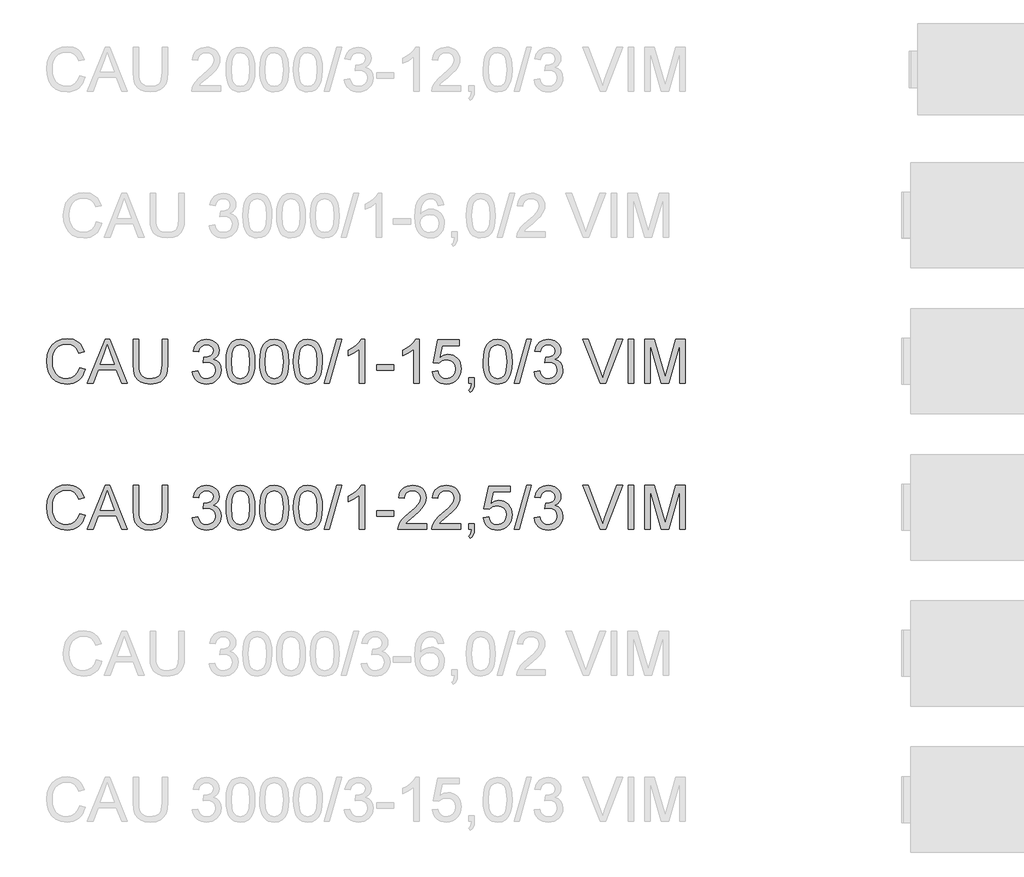
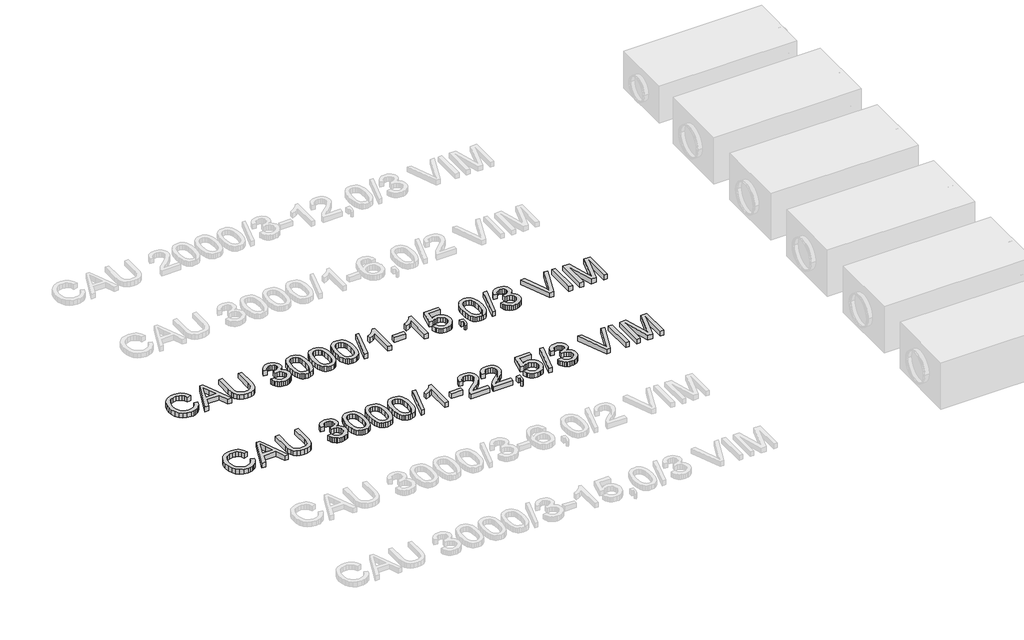
# One storey, part 56 of 74: 2 proxies.
"""IFC4 building model written with IfcOpenShell, lengths in millimetres."""

from ifc_helpers import new_model, si_unit, origin, origin_with_axes, place, context, project, spatial, polyline, outline, extrude, element, save

model = new_model("IFC4")

# Units and contexts
model_context = context("Model", 3, world=origin())
ifc_project = project(units=[si_unit("LENGTHUNIT", "METRE", prefix="MILLI")], contexts=[model_context])

# Site, building, storey
site = spatial("IfcSite", under=ifc_project)
building = spatial("IfcBuilding", under=site)
storey = spatial("IfcBuildingStorey", under=building, Elevation=0.0)

# Proxies
placement = place(None, origin())
element("IfcBuildingElementProxy", 1, Name="Generic Models", at=placement, inside=storey, context=model_context, shape_type="SweptSolid", body=[
    extrude(outline(polyline([(34539.6928381, -12799.1632103), (34577.3639544, -12808.875295), (34569.9097455, -12832.3024803), (34559.9815302, -12852.7728141), (34547.5793084, -12870.2862963), (34532.7030802, -12884.842927), (34515.688538, -12896.2863563), (34496.8713739, -12904.4602344), (34476.2515881, -12909.3645613), (34453.8291805, -12910.9993369), (34410.1339965, -12906.051324), (34375.4335273, -12891.2072855), (34348.835659, -12866.9822562), (34329.4482779, -12833.8912707), (34317.6116747, -12794.9877497), (34313.6661403, -12753.3251137), (34318.1267095, -12709.3816094), (34331.5084171, -12671.4345816), (34353.1122872, -12640.6888439), (34382.2393442, -12618.3492097), (34416.7834636, -12604.7467729), (34454.6385209, -12600.2126274), (34495.9424719, -12606.0803452), (34513.9112081, -12613.4149925), (34530.0911181, -12623.6834986), (34544.2154874, -12636.6145508), (34556.0176017, -12651.9368359), (34572.6550649, -12689.755105), (34534.9839486, -12698.7314257), (34521.9241378, -12671.2598377), (34504.081861, -12652.4150825), (34481.2363891, -12641.5165784), (34453.1669929, -12637.8837437), (34420.8117714, -12641.9120515), (34394.2322973, -12653.996975), (34374.0631669, -12672.8693214), (34360.9389767, -12697.2598977), (34353.7376866, -12724.8326532), (34351.3372566, -12753.2515373), (34354.179145, -12788.0531741), (34362.7048103, -12818.1459213), (34377.2361491, -12842.3801477), (34398.0950582, -12859.6062222), (34423.1018368, -12869.897721), (34450.0767841, -12873.3282206), (34481.5214977, -12868.6561192), (34507.7238928, -12854.6398152), (34527.5067471, -12831.4264613), (34539.6928381, -12799.1632103)])), origin_with_axes(), (0.0, 0.0, 1.0), 50.0),
    extrude(outline(polyline([(34594.065797, -12906.2904473), (34714.3632095, -12604.9215169), (34746.4425194, -12604.9215169), (34866.7399319, -12906.2904473), (34826.9351, -12906.2904473), (34792.4277688, -12812.1126566), (34668.3043837, -12812.1126566), (34633.8706289, -12906.2904473), (34594.065797, -12906.2904473)]), holes=[polyline([(34682.1367467, -12774.4415403), (34778.6689822, -12774.4415403), (34751.519291, -12700.3501064), (34730.4028644, -12642.5926332), (34711.6408827, -12693.8753833), (34682.1367467, -12774.4415403)])]), origin_with_axes(), (0.0, 0.0, 1.0), 50.0),
    extrude(outline(polyline([(35104.7595827, -12604.9215169), (35142.430699, -12604.9215169), (35142.430699, -12778.7825478), (35139.8739192, -12819.4978876), (35132.2035796, -12850.8506307), (35117.8745759, -12875.0388719), (35095.3418037, -12894.2607061), (35064.5500807, -12906.8146792), (35025.4442246, -12910.9993369), (34987.1936941, -12907.3573051), (34956.6135033, -12896.4312099), (34933.694455, -12878.5981302), (34918.4273522, -12854.235145), (34909.8465046, -12821.5580268), (34906.9862221, -12778.7825478), (34906.9862221, -12604.9215169), (34944.6573384, -12604.9215169), (34944.6573384, -12777.4581726), (34946.5151425, -12811.3125132), (34952.0885547, -12834.8845521), (34962.1869155, -12851.2093156), (34977.6195652, -12863.3218303), (34997.7427103, -12870.826623), (35021.9125574, -12873.3282206), (35060.2274672, -12868.3802077), (35074.5702665, -12862.1951917), (35085.7032954, -12853.5361692), (35094.0404211, -12841.3592752), (35099.9955109, -12824.6206444), (35104.7595827, -12777.4581726), (35104.7595827, -12604.9215169)])), origin_with_axes(), (0.0, 0.0, 1.0), 50.0),
    extrude(outline(polyline([(35311.9507224, -12826.2393252), (35349.6218387, -12821.5304357), (35358.0555335, -12845.203642), (35370.4071715, -12861.1881147), (35387.283758, -12870.2931941), (35409.2922983, -12873.3282206), (35435.1176144, -12869.1527599), (35455.0568185, -12856.626378), (35467.8039297, -12837.9379726), (35472.0529667, -12815.2764417), (35467.8407179, -12793.7645421), (35455.2039713, -12776.3177384), (35436.0741076, -12764.7570467), (35412.3825071, -12760.9034828), (35385.9685798, -12765.0237612), (35390.1624346, -12727.3526449), (35396.1956993, -12727.7941033), (35418.7652597, -12725.0901706), (35438.9435872, -12716.9783726), (35453.1806204, -12703.2563742), (35457.9262981, -12683.7218403), (35454.4866014, -12667.452259), (35444.1675115, -12654.2544924), (35428.4221621, -12645.508098), (35408.7036871, -12642.5926332), (35388.948424, -12645.5356892), (35372.7984044, -12654.364857), (35361.0077865, -12669.0801369), (35354.3307283, -12689.6815286), (35316.659612, -12684.972639), (35327.7512541, -12651.1458896), (35347.4881232, -12625.8907906), (35374.4906616, -12610.1638353), (35407.379312, -12604.9215169), (35431.0617154, -12607.5058879), (35452.8127384, -12615.259001), (35471.1516558, -12627.4910773), (35484.5977428, -12643.5123382), (35492.8474965, -12661.9708173), (35495.5974144, -12681.5145483), (35492.9854522, -12699.724707), (35485.1495657, -12716.2426086), (35472.2001195, -12730.3140949), (35454.2474782, -12741.1850079), (35477.828714, -12750.7131516), (35495.3031088, -12766.9367476), (35506.1188395, -12788.9728791), (35509.724083, -12815.9386293), (35507.9214612, -12835.050099), (35502.5135959, -12852.6532524), (35493.500487, -12868.7480897), (35480.8821346, -12883.3346108), (35465.5092657, -12895.4379285), (35448.2326075, -12904.0831554), (35429.05216, -12909.2702915), (35407.9679232, -12910.9993369), (35388.9116358, -12909.5232104), (35371.5476056, -12905.0948309), (35355.8758326, -12897.7141983), (35341.8963168, -12887.3813128), (35330.1746768, -12874.7031795), (35321.276531, -12860.2868038), (35315.2018796, -12844.1321857), (35311.9507224, -12826.2393252)])), origin_with_axes(), (0.0, 0.0, 1.0), 50.0),
    extrude(outline(polyline([(35542.6863098, -12758.0340033), (35545.4546218, -12709.7954767), (35553.7595578, -12671.324217), (35567.5183445, -12642.0316132), (35586.6482082, -12621.3290539), (35611.2871048, -12609.0234011), (35641.5729901, -12604.9215169), (35664.786344, -12607.3495381), (35685.5716767, -12614.6336016), (35702.954101, -12626.4885989), (35715.9587295, -12642.6294214), (35725.7811788, -12662.9181134), (35733.6170653, -12687.2167192), (35738.7490191, -12718.0728216), (35740.4596704, -12758.0340033), (35737.7189495, -12805.9966184), (35729.4967869, -12844.3759076), (35715.8207738, -12873.6961026), (35696.7185012, -12894.4814353), (35672.0244222, -12906.8698615), (35641.5729901, -12910.9993369), (35620.8244456, -12909.2059122), (35602.4303458, -12903.825638), (35586.3906908, -12894.8585143), (35572.7054806, -12882.3045413), (35559.5720934, -12859.6108207), (35550.1911025, -12831.3344908), (35544.562508, -12797.4755517), (35542.6863098, -12758.0340033)]), holes=[polyline([(35580.3574261, -12757.9604269), (35584.77201, -12817.2170193), (35590.29024, -12837.4850179), (35598.0157619, -12851.5128183), (35617.7342368, -12867.87437), (35641.5729901, -12873.3282206), (35665.4117434, -12867.8559759), (35685.1302183, -12851.4392419), (35692.8557402, -12837.3884489), (35698.3739702, -12817.1250488), (35702.7885541, -12757.9604269), (35698.5211229, -12700.0374067), (35693.186834, -12679.8360867), (35685.7188295, -12665.4748933), (35666.0371428, -12648.3131982), (35641.1315317, -12642.5926332), (35617.5502958, -12647.6326165), (35598.6043731, -12662.7525665), (35590.6213338, -12678.3875513), (35584.9191628, -12699.4671897), (35580.3574261, -12757.9604269)])]), origin_with_axes(), (0.0, 0.0, 1.0), 50.0),
    extrude(outline(polyline([(35773.4218972, -12758.0340033), (35776.1902092, -12709.7954767), (35784.4951452, -12671.324217), (35798.2539318, -12642.0316132), (35817.3837956, -12621.3290539), (35842.0226922, -12609.0234011), (35872.3085775, -12604.9215169), (35895.5219314, -12607.3495381), (35916.3072641, -12614.6336016), (35933.6896884, -12626.4885989), (35946.6943169, -12642.6294214), (35956.5167662, -12662.9181134), (35964.3526527, -12687.2167192), (35969.4846065, -12718.0728216), (35971.1952578, -12758.0340033), (35968.4545369, -12805.9966184), (35960.2323743, -12844.3759076), (35946.5563611, -12873.6961026), (35927.4540885, -12894.4814353), (35902.7600096, -12906.8698615), (35872.3085775, -12910.9993369), (35851.5600329, -12909.2059122), (35833.1659332, -12903.825638), (35817.1262782, -12894.8585143), (35803.441068, -12882.3045413), (35790.3076807, -12859.6108207), (35780.9266899, -12831.3344908), (35775.2980953, -12797.4755517), (35773.4218972, -12758.0340033)]), holes=[polyline([(35811.0930135, -12757.9604269), (35815.5075974, -12817.2170193), (35821.0258273, -12837.4850179), (35828.7513492, -12851.5128183), (35848.4698242, -12867.87437), (35872.3085775, -12873.3282206), (35896.1473308, -12867.8559759), (35915.8658057, -12851.4392419), (35923.5913276, -12837.3884489), (35929.1095575, -12817.1250488), (35933.5241415, -12757.9604269), (35929.2567103, -12700.0374067), (35923.9224214, -12679.8360867), (35916.4544169, -12665.4748933), (35896.7727302, -12648.3131982), (35871.8671191, -12642.5926332), (35848.2858832, -12647.6326165), (35829.3399604, -12662.7525665), (35821.3569211, -12678.3875513), (35815.6547502, -12699.4671897), (35811.0930135, -12757.9604269)])]), origin_with_axes(), (0.0, 0.0, 1.0), 50.0),
    extrude(outline(polyline([(36004.1574845, -12758.0340033), (36006.9257966, -12709.7954767), (36015.2307326, -12671.324217), (36028.9895192, -12642.0316132), (36048.119383, -12621.3290539), (36072.7582796, -12609.0234011), (36103.0441648, -12604.9215169), (36126.2575187, -12607.3495381), (36147.0428515, -12614.6336016), (36164.4252757, -12626.4885989), (36177.4299043, -12642.6294214), (36187.2523535, -12662.9181134), (36195.08824, -12687.2167192), (36200.2201939, -12718.0728216), (36201.9308451, -12758.0340033), (36199.1901243, -12805.9966184), (36190.9679617, -12844.3759076), (36177.2919485, -12873.6961026), (36158.1896759, -12894.4814353), (36133.495597, -12906.8698615), (36103.0441648, -12910.9993369), (36082.2956203, -12909.2059122), (36063.9015206, -12903.825638), (36047.8618656, -12894.8585143), (36034.1766553, -12882.3045413), (36021.0432681, -12859.6108207), (36011.6622772, -12831.3344908), (36006.0336827, -12797.4755517), (36004.1574845, -12758.0340033)]), holes=[polyline([(36041.8286008, -12757.9604269), (36046.2431848, -12817.2170193), (36051.7614147, -12837.4850179), (36059.4869366, -12851.5128183), (36079.2054116, -12867.87437), (36103.0441648, -12873.3282206), (36126.8829181, -12867.8559759), (36146.6013931, -12851.4392419), (36154.326915, -12837.3884489), (36159.8451449, -12817.1250488), (36164.2597288, -12757.9604269), (36159.9922977, -12700.0374067), (36154.6580088, -12679.8360867), (36147.1900043, -12665.4748933), (36127.5083175, -12648.3131982), (36102.6027065, -12642.5926332), (36079.0214706, -12647.6326165), (36060.0755478, -12662.7525665), (36052.0925085, -12678.3875513), (36046.3903376, -12699.4671897), (36041.8286008, -12757.9604269)])]), origin_with_axes(), (0.0, 0.0, 1.0), 50.0),
    extrude(outline(polyline([(36216.0575138, -12906.2904473), (36300.8175255, -12604.9215169), (36334.8098218, -12604.9215169), (36250.0498101, -12906.2904473), (36216.0575138, -12906.2904473)])), origin_with_axes(), (0.0, 0.0, 1.0), 50.0),
    extrude(outline(polyline([(36493.8819965, -12906.2904473), (36456.2108802, -12906.2904473), (36456.2108802, -12671.4345816), (36420.5263267, -12696.8552275), (36380.8686476, -12715.8747266), (36380.8686476, -12680.2637495), (36410.4555571, -12664.1689122), (36436.0877351, -12645.0206544), (36456.2936537, -12624.6583859), (36469.6017848, -12604.9215169), (36493.8819965, -12604.9215169), (36493.8819965, -12906.2904473)])), origin_with_axes(), (0.0, 0.0, 1.0), 50.0),
    extrude(outline(polyline([(36573.9331187, -12816.8215461), (36573.9331187, -12779.1504298), (36691.6553571, -12779.1504298), (36691.6553571, -12816.8215461), (36573.9331187, -12816.8215461)])), origin_with_axes(), (0.0, 0.0, 1.0), 50.0),
    extrude(outline(polyline([(36865.88427, -12906.2904473), (36828.2131537, -12906.2904473), (36828.2131537, -12671.4345816), (36792.5286002, -12696.8552275), (36752.8709211, -12715.8747266), (36752.8709211, -12680.2637495), (36782.4578306, -12664.1689122), (36808.0900086, -12645.0206544), (36828.2959272, -12624.6583859), (36841.6040584, -12604.9215169), (36865.88427, -12604.9215169), (36865.88427, -12906.2904473)])), origin_with_axes(), (0.0, 0.0, 1.0), 50.0),
    extrude(outline(polyline([(36955.3531713, -12826.2393252), (36993.0242876, -12821.5304357), (36999.9404691, -12844.1459813), (37012.0069985, -12860.3419861), (37029.1686936, -12870.081662), (37051.370372, -12873.3282206), (37078.3729105, -12868.8124691), (37098.6064202, -12855.2652146), (37111.2431667, -12834.2499556), (37115.4554156, -12807.3301906), (37111.5098812, -12781.9831212), (37099.673278, -12762.59574), (37079.8536355, -12750.2900873), (37051.9589832, -12746.188203), (37033.6844451, -12747.8252779), (37018.8863918, -12752.7365026), (36997.7331771, -12769.7326507), (36960.0620608, -12765.0237612), (36993.0242876, -12609.6304064), (37138.9998633, -12609.6304064), (37138.9998633, -12647.3015227), (37023.4849168, -12647.3015227), (37007.3716854, -12730.2957008), (37034.2822533, -12713.9617403), (37062.4804083, -12708.5170867), (37080.8262235, -12710.2047454), (37097.6775182, -12715.2677213), (37113.0342922, -12723.7060146), (37126.8965456, -12735.5196252), (37138.3721646, -12749.9865846), (37146.5690353, -12766.3849246), (37151.4871577, -12784.714645), (37153.1265319, -12804.9757459), (37147.2220259, -12842.6468622), (37139.8413933, -12859.4406753), (37129.5085078, -12874.873325), (37113.8551289, -12890.6784552), (37095.5897878, -12901.9678339), (37074.7124846, -12908.7414611), (37051.2232192, -12910.9993369), (37014.2234876, -12905.1959984), (36998.5448168, -12897.9418253), (36984.7469427, -12887.785983), (36973.2667252, -12875.2343092), (36964.5410241, -12860.7926416), (36955.3531713, -12826.2393252)])), origin_with_axes(), (0.0, 0.0, 1.0), 50.0),
    extrude(outline(polyline([(37204.9243168, -12906.2904473), (37204.9243168, -12868.619331), (37242.5954331, -12868.619331), (37242.5954331, -12906.2904473), (37240.9031759, -12927.8391352), (37235.8264044, -12944.8076922), (37227.0708129, -12957.8215178), (37214.3420959, -12967.5060113), (37204.9243168, -12953.3793427), (37213.0912971, -12946.5551317), (37218.7566798, -12937.1189585), (37223.6862986, -12906.2904473), (37204.9243168, -12906.2904473)])), origin_with_axes(), (0.0, 0.0, 1.0), 50.0),
    extrude(outline(polyline([(37303.8109971, -12758.0340033), (37306.5793091, -12709.7954767), (37314.8842452, -12671.324217), (37328.6430318, -12642.0316132), (37347.7728955, -12621.3290539), (37372.4117922, -12609.0234011), (37402.6976774, -12604.9215169), (37425.9110313, -12607.3495381), (37446.696364, -12614.6336016), (37464.0787883, -12626.4885989), (37477.0834168, -12642.6294214), (37486.9058661, -12662.9181134), (37494.7417526, -12687.2167192), (37499.8737064, -12718.0728216), (37501.5843577, -12758.0340033), (37498.8436368, -12805.9966184), (37490.6214743, -12844.3759076), (37476.9454611, -12873.6961026), (37457.8431885, -12894.4814353), (37433.1491096, -12906.8698615), (37402.6976774, -12910.9993369), (37381.9491329, -12909.2059122), (37363.5550331, -12903.825638), (37347.5153781, -12894.8585143), (37333.8301679, -12882.3045413), (37320.6967807, -12859.6108207), (37311.3157898, -12831.3344908), (37305.6871953, -12797.4755517), (37303.8109971, -12758.0340033)]), holes=[polyline([(37341.4821134, -12757.9604269), (37345.8966974, -12817.2170193), (37351.4149273, -12837.4850179), (37359.1404492, -12851.5128183), (37378.8589241, -12867.87437), (37402.6976774, -12873.3282206), (37426.5364307, -12867.8559759), (37446.2549056, -12851.4392419), (37453.9804275, -12837.3884489), (37459.4986575, -12817.1250488), (37463.9132414, -12757.9604269), (37459.6458103, -12700.0374067), (37454.3115213, -12679.8360867), (37446.8435168, -12665.4748933), (37427.1618301, -12648.3131982), (37402.256219, -12642.5926332), (37378.6749831, -12647.6326165), (37359.7290604, -12662.7525665), (37351.7460211, -12678.3875513), (37346.0438501, -12699.4671897), (37341.4821134, -12757.9604269)])]), origin_with_axes(), (0.0, 0.0, 1.0), 50.0),
    extrude(outline(polyline([(37515.7110263, -12906.2904473), (37600.471038, -12604.9215169), (37634.4633344, -12604.9215169), (37549.7033227, -12906.2904473), (37515.7110263, -12906.2904473)])), origin_with_axes(), (0.0, 0.0, 1.0), 50.0),
    extrude(outline(polyline([(37652.2688229, -12826.2393252), (37689.9399392, -12821.5304357), (37698.373634, -12845.203642), (37710.725272, -12861.1881147), (37727.6018585, -12870.2931941), (37749.6103989, -12873.3282206), (37775.4357149, -12869.1527599), (37795.3749191, -12856.626378), (37808.1220302, -12837.9379726), (37812.3710672, -12815.2764417), (37808.1588184, -12793.7645421), (37795.5220719, -12776.3177384), (37776.3922081, -12764.7570467), (37752.7006076, -12760.9034828), (37726.2866804, -12765.0237612), (37730.4805351, -12727.3526449), (37736.5137998, -12727.7941033), (37759.0833602, -12725.0901706), (37779.2616877, -12716.9783726), (37793.4987209, -12703.2563742), (37798.2443986, -12683.7218403), (37794.804702, -12667.452259), (37784.485612, -12654.2544924), (37768.7402626, -12645.508098), (37749.0217877, -12642.5926332), (37729.2665245, -12645.5356892), (37713.1165049, -12654.364857), (37701.325887, -12669.0801369), (37694.6488288, -12689.6815286), (37656.9777125, -12684.972639), (37668.0693546, -12651.1458896), (37687.8062237, -12625.8907906), (37714.8087621, -12610.1638353), (37747.6974125, -12604.9215169), (37771.3798159, -12607.5058879), (37793.1308389, -12615.259001), (37811.4697563, -12627.4910773), (37824.9158433, -12643.5123382), (37833.165597, -12661.9708173), (37835.9155149, -12681.5145483), (37833.3035528, -12699.724707), (37825.4676663, -12716.2426086), (37812.51822, -12730.3140949), (37794.5655787, -12741.1850079), (37818.1468146, -12750.7131516), (37835.6212093, -12766.9367476), (37846.43694, -12788.9728791), (37850.0421835, -12815.9386293), (37848.2395618, -12835.050099), (37842.8316964, -12852.6532524), (37833.8185876, -12868.7480897), (37821.2002351, -12883.3346108), (37805.8273662, -12895.4379285), (37788.550708, -12904.0831554), (37769.3702605, -12909.2702915), (37748.2860237, -12910.9993369), (37729.2297363, -12909.5232104), (37711.8657062, -12905.0948309), (37696.1939332, -12897.7141983), (37682.2144173, -12887.3813128), (37670.4927773, -12874.7031795), (37661.5946315, -12860.2868038), (37655.5199801, -12844.1321857), (37652.2688229, -12826.2393252)])), origin_with_axes(), (0.0, 0.0, 1.0), 50.0),
    extrude(outline(polyline([(38103.8807602, -12906.2904473), (37983.9512298, -12604.9215169), (38024.2710965, -12604.9215169), (38104.5429478, -12822.0454704), (38120.803332, -12870.9737758), (38136.842987, -12822.0454704), (38217.3355675, -12604.9215169), (38257.6554342, -12604.9215169), (38142.8026753, -12906.2904473), (38103.8807602, -12906.2904473)])), origin_with_axes(), (0.0, 0.0, 1.0), 50.0),
    extrude(outline(polyline([(38297.3866897, -12906.2904473), (38297.3866897, -12604.9215169), (38335.057806, -12604.9215169), (38335.057806, -12906.2904473), (38297.3866897, -12906.2904473)])), origin_with_axes(), (0.0, 0.0, 1.0), 50.0),
    extrude(outline(polyline([(38410.4000386, -12906.2904473), (38410.4000386, -12604.9215169), (38475.2208461, -12604.9215169), (38536.8778685, -12817.3365809), (38549.31228, -12861.7031495), (38562.776761, -12813.657761), (38623.4037138, -12604.9215169), (38688.2245214, -12604.9215169), (38688.2245214, -12906.2904473), (38650.553405, -12906.2904473), (38650.553405, -12642.5926332), (38574.8432904, -12906.2904473), (38523.7812695, -12906.2904473), (38448.0711549, -12642.5926332), (38448.0711549, -12906.2904473), (38410.4000386, -12906.2904473)])), origin_with_axes(), (0.0, 0.0, 1.0), 50.0),
])
element("IfcBuildingElementProxy", 2, Name="Generic Models", at=placement, inside=storey, context=model_context, shape_type="SweptSolid", body=[
    extrude(outline(polyline([(34539.6928381, -13799.1632103), (34577.3639544, -13808.875295), (34569.9097455, -13832.3024803), (34559.9815302, -13852.7728141), (34547.5793084, -13870.2862963), (34532.7030802, -13884.842927), (34515.688538, -13896.2863563), (34496.8713739, -13904.4602344), (34476.2515881, -13909.3645613), (34453.8291805, -13910.9993369), (34410.1339965, -13906.051324), (34375.4335273, -13891.2072855), (34348.835659, -13866.9822562), (34329.4482779, -13833.8912707), (34317.6116747, -13794.9877497), (34313.6661403, -13753.3251137), (34318.1267095, -13709.3816094), (34331.5084171, -13671.4345816), (34353.1122872, -13640.6888439), (34382.2393442, -13618.3492097), (34416.7834636, -13604.7467729), (34454.6385209, -13600.2126274), (34495.9424719, -13606.0803452), (34513.9112081, -13613.4149925), (34530.0911181, -13623.6834986), (34544.2154874, -13636.6145508), (34556.0176017, -13651.9368359), (34572.6550649, -13689.755105), (34534.9839486, -13698.7314257), (34521.9241378, -13671.2598377), (34504.081861, -13652.4150825), (34481.2363891, -13641.5165784), (34453.1669929, -13637.8837437), (34420.8117714, -13641.9120515), (34394.2322973, -13653.996975), (34374.0631669, -13672.8693214), (34360.9389767, -13697.2598977), (34353.7376866, -13724.8326532), (34351.3372566, -13753.2515373), (34354.179145, -13788.0531741), (34362.7048103, -13818.1459213), (34377.2361491, -13842.3801477), (34398.0950582, -13859.6062222), (34423.1018368, -13869.897721), (34450.0767841, -13873.3282206), (34481.5214977, -13868.6561192), (34507.7238928, -13854.6398152), (34527.5067471, -13831.4264613), (34539.6928381, -13799.1632103)])), origin_with_axes(), (0.0, 0.0, 1.0), 50.0),
    extrude(outline(polyline([(34594.065797, -13906.2904473), (34714.3632095, -13604.9215169), (34746.4425194, -13604.9215169), (34866.7399319, -13906.2904473), (34826.9351, -13906.2904473), (34792.4277688, -13812.1126566), (34668.3043837, -13812.1126566), (34633.8706289, -13906.2904473), (34594.065797, -13906.2904473)]), holes=[polyline([(34682.1367467, -13774.4415403), (34778.6689822, -13774.4415403), (34751.519291, -13700.3501064), (34730.4028644, -13642.5926332), (34711.6408827, -13693.8753833), (34682.1367467, -13774.4415403)])]), origin_with_axes(), (0.0, 0.0, 1.0), 50.0),
    extrude(outline(polyline([(35104.7595827, -13604.9215169), (35142.430699, -13604.9215169), (35142.430699, -13778.7825478), (35139.8739192, -13819.4978876), (35132.2035796, -13850.8506307), (35117.8745759, -13875.0388719), (35095.3418037, -13894.2607061), (35064.5500807, -13906.8146792), (35025.4442246, -13910.9993369), (34987.1936941, -13907.3573051), (34956.6135033, -13896.4312099), (34933.694455, -13878.5981302), (34918.4273522, -13854.235145), (34909.8465046, -13821.5580268), (34906.9862221, -13778.7825478), (34906.9862221, -13604.9215169), (34944.6573384, -13604.9215169), (34944.6573384, -13777.4581726), (34946.5151425, -13811.3125132), (34952.0885547, -13834.8845521), (34962.1869155, -13851.2093156), (34977.6195652, -13863.3218303), (34997.7427103, -13870.826623), (35021.9125574, -13873.3282206), (35060.2274672, -13868.3802077), (35074.5702665, -13862.1951917), (35085.7032954, -13853.5361692), (35094.0404211, -13841.3592752), (35099.9955109, -13824.6206444), (35104.7595827, -13777.4581726), (35104.7595827, -13604.9215169)])), origin_with_axes(), (0.0, 0.0, 1.0), 50.0),
    extrude(outline(polyline([(35311.9507224, -13826.2393252), (35349.6218387, -13821.5304357), (35358.0555335, -13845.203642), (35370.4071715, -13861.1881147), (35387.283758, -13870.2931941), (35409.2922983, -13873.3282206), (35435.1176144, -13869.1527599), (35455.0568185, -13856.626378), (35467.8039297, -13837.9379726), (35472.0529667, -13815.2764417), (35467.8407179, -13793.7645421), (35455.2039713, -13776.3177384), (35436.0741076, -13764.7570467), (35412.3825071, -13760.9034828), (35385.9685798, -13765.0237612), (35390.1624346, -13727.3526449), (35396.1956993, -13727.7941033), (35418.7652597, -13725.0901706), (35438.9435872, -13716.9783726), (35453.1806204, -13703.2563742), (35457.9262981, -13683.7218403), (35454.4866014, -13667.452259), (35444.1675115, -13654.2544924), (35428.4221621, -13645.508098), (35408.7036871, -13642.5926332), (35388.948424, -13645.5356892), (35372.7984044, -13654.364857), (35361.0077865, -13669.0801369), (35354.3307283, -13689.6815286), (35316.659612, -13684.972639), (35327.7512541, -13651.1458896), (35347.4881232, -13625.8907906), (35374.4906616, -13610.1638353), (35407.379312, -13604.9215169), (35431.0617154, -13607.5058879), (35452.8127384, -13615.259001), (35471.1516558, -13627.4910773), (35484.5977428, -13643.5123382), (35492.8474965, -13661.9708173), (35495.5974144, -13681.5145483), (35492.9854522, -13699.724707), (35485.1495657, -13716.2426086), (35472.2001195, -13730.3140949), (35454.2474782, -13741.1850079), (35477.828714, -13750.7131516), (35495.3031088, -13766.9367476), (35506.1188395, -13788.9728791), (35509.724083, -13815.9386293), (35507.9214612, -13835.050099), (35502.5135959, -13852.6532524), (35493.500487, -13868.7480897), (35480.8821346, -13883.3346108), (35465.5092657, -13895.4379285), (35448.2326075, -13904.0831554), (35429.05216, -13909.2702915), (35407.9679232, -13910.9993369), (35388.9116358, -13909.5232104), (35371.5476056, -13905.0948309), (35355.8758326, -13897.7141983), (35341.8963168, -13887.3813128), (35330.1746768, -13874.7031795), (35321.276531, -13860.2868038), (35315.2018796, -13844.1321857), (35311.9507224, -13826.2393252)])), origin_with_axes(), (0.0, 0.0, 1.0), 50.0),
    extrude(outline(polyline([(35542.6863098, -13758.0340033), (35545.4546218, -13709.7954767), (35553.7595578, -13671.324217), (35567.5183445, -13642.0316132), (35586.6482082, -13621.3290539), (35611.2871048, -13609.0234011), (35641.5729901, -13604.9215169), (35664.786344, -13607.3495381), (35685.5716767, -13614.6336016), (35702.954101, -13626.4885989), (35715.9587295, -13642.6294214), (35725.7811788, -13662.9181134), (35733.6170653, -13687.2167192), (35738.7490191, -13718.0728216), (35740.4596704, -13758.0340033), (35737.7189495, -13805.9966184), (35729.4967869, -13844.3759076), (35715.8207738, -13873.6961026), (35696.7185012, -13894.4814353), (35672.0244222, -13906.8698615), (35641.5729901, -13910.9993369), (35620.8244456, -13909.2059122), (35602.4303458, -13903.825638), (35586.3906908, -13894.8585143), (35572.7054806, -13882.3045413), (35559.5720934, -13859.6108207), (35550.1911025, -13831.3344908), (35544.562508, -13797.4755517), (35542.6863098, -13758.0340033)]), holes=[polyline([(35580.3574261, -13757.9604269), (35584.77201, -13817.2170193), (35590.29024, -13837.4850179), (35598.0157619, -13851.5128183), (35617.7342368, -13867.87437), (35641.5729901, -13873.3282206), (35665.4117434, -13867.8559759), (35685.1302183, -13851.4392419), (35692.8557402, -13837.3884489), (35698.3739702, -13817.1250488), (35702.7885541, -13757.9604269), (35698.5211229, -13700.0374067), (35693.186834, -13679.8360867), (35685.7188295, -13665.4748933), (35666.0371428, -13648.3131982), (35641.1315317, -13642.5926332), (35617.5502958, -13647.6326165), (35598.6043731, -13662.7525665), (35590.6213338, -13678.3875513), (35584.9191628, -13699.4671897), (35580.3574261, -13757.9604269)])]), origin_with_axes(), (0.0, 0.0, 1.0), 50.0),
    extrude(outline(polyline([(35773.4218972, -13758.0340033), (35776.1902092, -13709.7954767), (35784.4951452, -13671.324217), (35798.2539318, -13642.0316132), (35817.3837956, -13621.3290539), (35842.0226922, -13609.0234011), (35872.3085775, -13604.9215169), (35895.5219314, -13607.3495381), (35916.3072641, -13614.6336016), (35933.6896884, -13626.4885989), (35946.6943169, -13642.6294214), (35956.5167662, -13662.9181134), (35964.3526527, -13687.2167192), (35969.4846065, -13718.0728216), (35971.1952578, -13758.0340033), (35968.4545369, -13805.9966184), (35960.2323743, -13844.3759076), (35946.5563611, -13873.6961026), (35927.4540885, -13894.4814353), (35902.7600096, -13906.8698615), (35872.3085775, -13910.9993369), (35851.5600329, -13909.2059122), (35833.1659332, -13903.825638), (35817.1262782, -13894.8585143), (35803.441068, -13882.3045413), (35790.3076807, -13859.6108207), (35780.9266899, -13831.3344908), (35775.2980953, -13797.4755517), (35773.4218972, -13758.0340033)]), holes=[polyline([(35811.0930135, -13757.9604269), (35815.5075974, -13817.2170193), (35821.0258273, -13837.4850179), (35828.7513492, -13851.5128183), (35848.4698242, -13867.87437), (35872.3085775, -13873.3282206), (35896.1473308, -13867.8559759), (35915.8658057, -13851.4392419), (35923.5913276, -13837.3884489), (35929.1095575, -13817.1250488), (35933.5241415, -13757.9604269), (35929.2567103, -13700.0374067), (35923.9224214, -13679.8360867), (35916.4544169, -13665.4748933), (35896.7727302, -13648.3131982), (35871.8671191, -13642.5926332), (35848.2858832, -13647.6326165), (35829.3399604, -13662.7525665), (35821.3569211, -13678.3875513), (35815.6547502, -13699.4671897), (35811.0930135, -13757.9604269)])]), origin_with_axes(), (0.0, 0.0, 1.0), 50.0),
    extrude(outline(polyline([(36004.1574845, -13758.0340033), (36006.9257966, -13709.7954767), (36015.2307326, -13671.324217), (36028.9895192, -13642.0316132), (36048.119383, -13621.3290539), (36072.7582796, -13609.0234011), (36103.0441648, -13604.9215169), (36126.2575187, -13607.3495381), (36147.0428515, -13614.6336016), (36164.4252757, -13626.4885989), (36177.4299043, -13642.6294214), (36187.2523535, -13662.9181134), (36195.08824, -13687.2167192), (36200.2201939, -13718.0728216), (36201.9308451, -13758.0340033), (36199.1901243, -13805.9966184), (36190.9679617, -13844.3759076), (36177.2919485, -13873.6961026), (36158.1896759, -13894.4814353), (36133.495597, -13906.8698615), (36103.0441648, -13910.9993369), (36082.2956203, -13909.2059122), (36063.9015206, -13903.825638), (36047.8618656, -13894.8585143), (36034.1766553, -13882.3045413), (36021.0432681, -13859.6108207), (36011.6622772, -13831.3344908), (36006.0336827, -13797.4755517), (36004.1574845, -13758.0340033)]), holes=[polyline([(36041.8286008, -13757.9604269), (36046.2431848, -13817.2170193), (36051.7614147, -13837.4850179), (36059.4869366, -13851.5128183), (36079.2054116, -13867.87437), (36103.0441648, -13873.3282206), (36126.8829181, -13867.8559759), (36146.6013931, -13851.4392419), (36154.326915, -13837.3884489), (36159.8451449, -13817.1250488), (36164.2597288, -13757.9604269), (36159.9922977, -13700.0374067), (36154.6580088, -13679.8360867), (36147.1900043, -13665.4748933), (36127.5083175, -13648.3131982), (36102.6027065, -13642.5926332), (36079.0214706, -13647.6326165), (36060.0755478, -13662.7525665), (36052.0925085, -13678.3875513), (36046.3903376, -13699.4671897), (36041.8286008, -13757.9604269)])]), origin_with_axes(), (0.0, 0.0, 1.0), 50.0),
    extrude(outline(polyline([(36216.0575138, -13906.2904473), (36300.8175255, -13604.9215169), (36334.8098218, -13604.9215169), (36250.0498101, -13906.2904473), (36216.0575138, -13906.2904473)])), origin_with_axes(), (0.0, 0.0, 1.0), 50.0),
    extrude(outline(polyline([(36493.8819965, -13906.2904473), (36456.2108802, -13906.2904473), (36456.2108802, -13671.4345816), (36420.5263267, -13696.8552275), (36380.8686476, -13715.8747266), (36380.8686476, -13680.2637495), (36410.4555571, -13664.1689122), (36436.0877351, -13645.0206544), (36456.2936537, -13624.6583859), (36469.6017848, -13604.9215169), (36493.8819965, -13604.9215169), (36493.8819965, -13906.2904473)])), origin_with_axes(), (0.0, 0.0, 1.0), 50.0),
    extrude(outline(polyline([(36573.9331187, -13816.8215461), (36573.9331187, -13779.1504298), (36691.6553571, -13779.1504298), (36691.6553571, -13816.8215461), (36573.9331187, -13816.8215461)])), origin_with_axes(), (0.0, 0.0, 1.0), 50.0),
    extrude(outline(polyline([(36917.682055, -13868.619331), (36917.682055, -13906.2904473), (36719.9086944, -13906.2904473), (36723.9553963, -13880.3179785), (36733.2444167, -13860.0200894), (36746.8376564, -13840.3292056), (36766.500949, -13819.7186168), (36794.0001282, -13796.6616128), (36834.6510887, -13760.553995), (36859.0416649, -13733.9009444), (36871.2369531, -13712.2694831), (36875.3020491, -13691.226633), (36871.4668793, -13672.3634837), (36859.9613699, -13656.6825136), (36842.275443, -13646.1151033), (36819.8990206, -13642.5926332), (36796.4005582, -13646.0323299), (36778.1444142, -13656.3514198), (36766.3629933, -13672.7405627), (36762.2887002, -13694.3904181), (36724.6175839, -13689.6815286), (36733.7502544, -13653.242817), (36742.296613, -13638.7068796), (36753.4963205, -13626.6265546), (36767.0918595, -13617.1306006), (36782.8257126, -13610.3477763), (36820.708361, -13604.9215169), (36840.8981848, -13606.4298331), (36858.866921, -13610.9547816), (36874.6145696, -13618.4963625), (36888.1411308, -13629.0545758), (36899.0051459, -13641.8476722), (36906.7651568, -13656.0939024), (36911.4211633, -13671.7932666), (36912.9731654, -13688.9457646), (36911.2993023, -13706.9627853), (36906.2777131, -13724.6671063), (36897.3657718, -13742.67493), (36884.0208524, -13761.6024586), (36862.748076, -13784.1996102), (36830.0525637, -13813.2163026), (36786.7160647, -13849.4526791), (36769.7199165, -13868.619331), (36917.682055, -13868.619331)])), origin_with_axes(), (0.0, 0.0, 1.0), 50.0),
    extrude(outline(polyline([(37148.4176423, -13868.619331), (37148.4176423, -13906.2904473), (36950.6442817, -13906.2904473), (36954.6909837, -13880.3179785), (36963.9800041, -13860.0200894), (36977.5732438, -13840.3292056), (36997.2365364, -13819.7186168), (37024.7357156, -13796.6616128), (37065.386676, -13760.553995), (37089.7772523, -13733.9009444), (37101.9725404, -13712.2694831), (37106.0376365, -13691.226633), (37102.2024667, -13672.3634837), (37090.6969573, -13656.6825136), (37073.0110304, -13646.1151033), (37050.634608, -13642.5926332), (37027.1361456, -13646.0323299), (37008.8800016, -13656.3514198), (36997.0985807, -13672.7405627), (36993.0242876, -13694.3904181), (36955.3531713, -13689.6815286), (36964.4858418, -13653.242817), (36973.0322004, -13638.7068796), (36984.2319079, -13626.6265546), (36997.8274469, -13617.1306006), (37013.5613, -13610.3477763), (37051.4439484, -13604.9215169), (37071.6337722, -13606.4298331), (37089.6025084, -13610.9547816), (37105.350157, -13618.4963625), (37118.8767181, -13629.0545758), (37129.7407333, -13641.8476722), (37137.5007441, -13656.0939024), (37142.1567506, -13671.7932666), (37143.7087528, -13688.9457646), (37142.0348897, -13706.9627853), (37137.0133005, -13724.6671063), (37128.1013592, -13742.67493), (37114.7564398, -13761.6024586), (37093.4836634, -13784.1996102), (37060.7881511, -13813.2163026), (37017.4516521, -13849.4526791), (37000.4555039, -13868.619331), (37148.4176423, -13868.619331)])), origin_with_axes(), (0.0, 0.0, 1.0), 50.0),
    extrude(outline(polyline([(37204.9243168, -13906.2904473), (37204.9243168, -13868.619331), (37242.5954331, -13868.619331), (37242.5954331, -13906.2904473), (37240.9031759, -13927.8391352), (37235.8264044, -13944.8076922), (37227.0708129, -13957.8215178), (37214.3420959, -13967.5060113), (37204.9243168, -13953.3793427), (37213.0912971, -13946.5551317), (37218.7566798, -13937.1189585), (37223.6862986, -13906.2904473), (37204.9243168, -13906.2904473)])), origin_with_axes(), (0.0, 0.0, 1.0), 50.0),
    extrude(outline(polyline([(37303.8109971, -13826.2393252), (37341.4821134, -13821.5304357), (37348.3982949, -13844.1459813), (37360.4648244, -13860.3419861), (37377.6265194, -13870.081662), (37399.8281978, -13873.3282206), (37426.8307363, -13868.8124691), (37447.064246, -13855.2652146), (37459.7009926, -13834.2499556), (37463.9132414, -13807.3301906), (37459.967707, -13781.9831212), (37448.1311038, -13762.59574), (37428.3114613, -13750.2900873), (37400.416809, -13746.188203), (37382.1422709, -13747.8252779), (37367.3442177, -13752.7365026), (37346.1910029, -13769.7326507), (37308.5198866, -13765.0237612), (37341.4821134, -13609.6304064), (37487.4576891, -13609.6304064), (37487.4576891, -13647.3015227), (37371.9427426, -13647.3015227), (37355.8295112, -13730.2957008), (37382.7400792, -13713.9617403), (37410.9382341, -13708.5170867), (37429.2840493, -13710.2047454), (37446.135344, -13715.2677213), (37461.492118, -13723.7060146), (37475.3543715, -13735.5196252), (37486.8299904, -13749.9865846), (37495.0268611, -13766.3849246), (37499.9449836, -13784.714645), (37501.5843577, -13804.9757459), (37495.6798517, -13842.6468622), (37488.2992192, -13859.4406753), (37477.9663336, -13874.873325), (37462.3129547, -13890.6784552), (37444.0476137, -13901.9678339), (37423.1703104, -13908.7414611), (37399.681045, -13910.9993369), (37362.6813134, -13905.1959984), (37347.0026426, -13897.9418253), (37333.2047685, -13887.785983), (37321.724551, -13875.2343092), (37312.9988499, -13860.7926416), (37303.8109971, -13826.2393252)])), origin_with_axes(), (0.0, 0.0, 1.0), 50.0),
    extrude(outline(polyline([(37515.7110263, -13906.2904473), (37600.471038, -13604.9215169), (37634.4633344, -13604.9215169), (37549.7033227, -13906.2904473), (37515.7110263, -13906.2904473)])), origin_with_axes(), (0.0, 0.0, 1.0), 50.0),
    extrude(outline(polyline([(37652.2688229, -13826.2393252), (37689.9399392, -13821.5304357), (37698.373634, -13845.203642), (37710.725272, -13861.1881147), (37727.6018585, -13870.2931941), (37749.6103989, -13873.3282206), (37775.4357149, -13869.1527599), (37795.3749191, -13856.626378), (37808.1220302, -13837.9379726), (37812.3710672, -13815.2764417), (37808.1588184, -13793.7645421), (37795.5220719, -13776.3177384), (37776.3922081, -13764.7570467), (37752.7006076, -13760.9034828), (37726.2866804, -13765.0237612), (37730.4805351, -13727.3526449), (37736.5137998, -13727.7941033), (37759.0833602, -13725.0901706), (37779.2616877, -13716.9783726), (37793.4987209, -13703.2563742), (37798.2443986, -13683.7218403), (37794.804702, -13667.452259), (37784.485612, -13654.2544924), (37768.7402626, -13645.508098), (37749.0217877, -13642.5926332), (37729.2665245, -13645.5356892), (37713.1165049, -13654.364857), (37701.325887, -13669.0801369), (37694.6488288, -13689.6815286), (37656.9777125, -13684.972639), (37668.0693546, -13651.1458896), (37687.8062237, -13625.8907906), (37714.8087621, -13610.1638353), (37747.6974125, -13604.9215169), (37771.3798159, -13607.5058879), (37793.1308389, -13615.259001), (37811.4697563, -13627.4910773), (37824.9158433, -13643.5123382), (37833.165597, -13661.9708173), (37835.9155149, -13681.5145483), (37833.3035528, -13699.724707), (37825.4676663, -13716.2426086), (37812.51822, -13730.3140949), (37794.5655787, -13741.1850079), (37818.1468146, -13750.7131516), (37835.6212093, -13766.9367476), (37846.43694, -13788.9728791), (37850.0421835, -13815.9386293), (37848.2395618, -13835.050099), (37842.8316964, -13852.6532524), (37833.8185876, -13868.7480897), (37821.2002351, -13883.3346108), (37805.8273662, -13895.4379285), (37788.550708, -13904.0831554), (37769.3702605, -13909.2702915), (37748.2860237, -13910.9993369), (37729.2297363, -13909.5232104), (37711.8657062, -13905.0948309), (37696.1939332, -13897.7141983), (37682.2144173, -13887.3813128), (37670.4927773, -13874.7031795), (37661.5946315, -13860.2868038), (37655.5199801, -13844.1321857), (37652.2688229, -13826.2393252)])), origin_with_axes(), (0.0, 0.0, 1.0), 50.0),
    extrude(outline(polyline([(38103.8807602, -13906.2904473), (37983.9512298, -13604.9215169), (38024.2710965, -13604.9215169), (38104.5429478, -13822.0454704), (38120.803332, -13870.9737758), (38136.842987, -13822.0454704), (38217.3355675, -13604.9215169), (38257.6554342, -13604.9215169), (38142.8026753, -13906.2904473), (38103.8807602, -13906.2904473)])), origin_with_axes(), (0.0, 0.0, 1.0), 50.0),
    extrude(outline(polyline([(38297.3866897, -13906.2904473), (38297.3866897, -13604.9215169), (38335.057806, -13604.9215169), (38335.057806, -13906.2904473), (38297.3866897, -13906.2904473)])), origin_with_axes(), (0.0, 0.0, 1.0), 50.0),
    extrude(outline(polyline([(38410.4000386, -13906.2904473), (38410.4000386, -13604.9215169), (38475.2208461, -13604.9215169), (38536.8778685, -13817.3365809), (38549.31228, -13861.7031495), (38562.776761, -13813.657761), (38623.4037138, -13604.9215169), (38688.2245214, -13604.9215169), (38688.2245214, -13906.2904473), (38650.553405, -13906.2904473), (38650.553405, -13642.5926332), (38574.8432904, -13906.2904473), (38523.7812695, -13906.2904473), (38448.0711549, -13642.5926332), (38448.0711549, -13906.2904473), (38410.4000386, -13906.2904473)])), origin_with_axes(), (0.0, 0.0, 1.0), 50.0),
])

save(model, "model.ifc")
